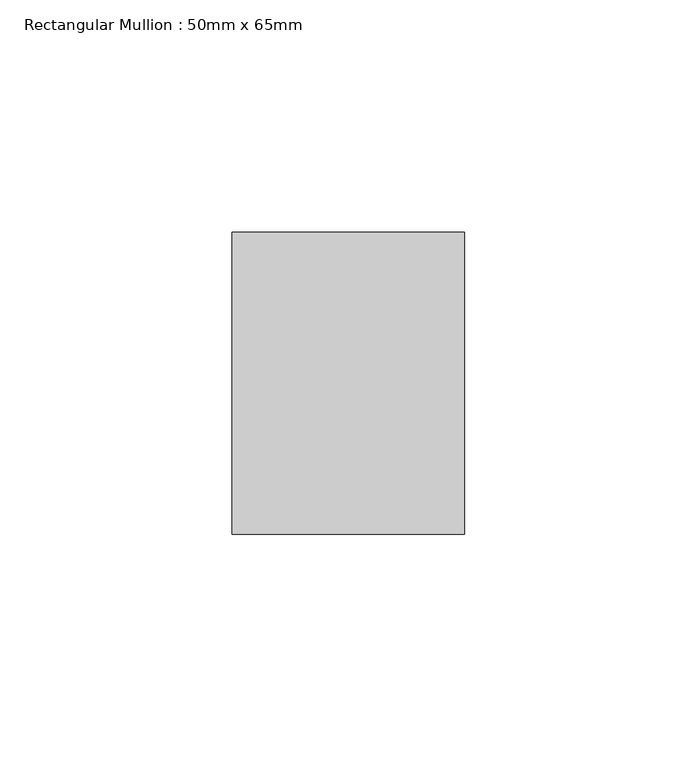
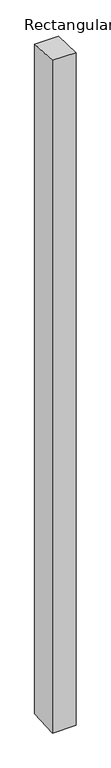
"""IFC4 building model written with IfcOpenShell, lengths in millimetres: member geometry, Rectangular Mullion : 50mm x 65mm."""

from ifc_helpers import new_model, si_unit, origin, place, context, project, spatial, faceted_brep, source, transform, mapped, element, save


def rectangular_mullion_50mm_x_65mm_d0f98d80(model_context):
    return source(origin(), model_context, "Body", "Brep", [
        faceted_brep([(-25.0, 32.5, -1.4676754), (25.0, 32.5, -1.4676761), (25.0, 32.5, -1498.1018296), (-25.0, 32.5, -1498.1018306), (-25.0, -32.5, 1.4676761), (-25.0, -32.5, -1501.8975747), (25.0, -32.5, 1.4676754), (25.0, -32.5, -1501.8975737)], [[[0, 1, 2, 3]], [[4, 0, 3, 5]], [[6, 4, 5, 7]], [[1, 6, 7, 2]], [[1, 0, 4, 6]], [[2, 7, 5, 3]]]),
    ])


if __name__ == "__main__":
    model = new_model("IFC4")
    model_context = context("Model", 3, world=origin())
    ifc_project = project(units=[si_unit("LENGTHUNIT", "METRE", prefix="MILLI")], contexts=[model_context])
    site = spatial("IfcSite", under=ifc_project)
    building = spatial("IfcBuilding", under=site)
    placement = place(None, origin())
    rectangular_mullion_50mm_x_65mm_shape = rectangular_mullion_50mm_x_65mm_d0f98d80(model_context)
    element("IfcMember", 1, ObjectType="Rectangular Mullion : 50mm x 65mm", at=placement, inside=building, context=model_context, shape_type="MappedRepresentation", body=[
        mapped(rectangular_mullion_50mm_x_65mm_shape, transform((0.0, 0.0, 0.0), x_axis=(1.0, 0.0, 0.0), y_axis=(0.0, 1.0, 0.0), z_axis=(0.0, 0.0, 1.0))),
    ])
    save(model, "model.ifc")
